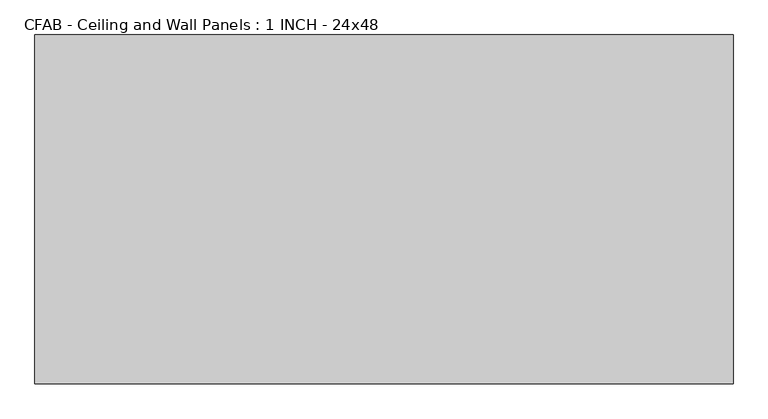
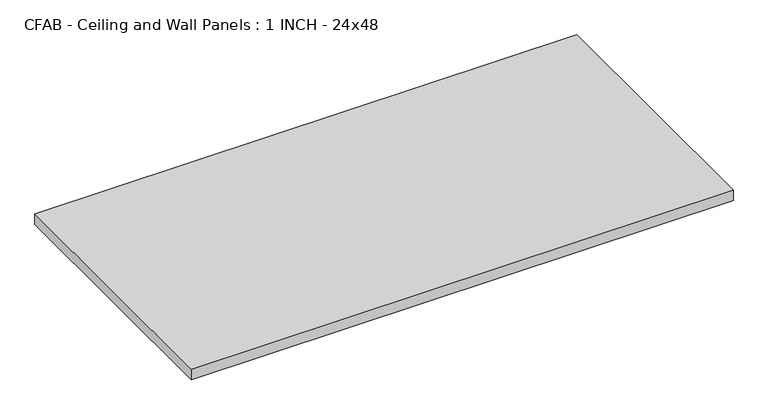
"""IFC4 building model written with IfcOpenShell, lengths in millimetres: proxy geometry, CFAB - Ceiling and Wall Panels : 1 INCH - 24x48."""

from ifc_helpers import new_model, si_unit, origin, origin_with_axes, place, context, project, spatial, polyline, outline, extrude, source, transform, mapped, element, save


def cfab_ceiling_and_wall_panels_1_inch_24x48_82ed4230(model_context):
    return source(origin(), model_context, "Body", "SweptSolid", [
        extrude(outline(polyline([(-609.6, 304.8), (609.6, 304.8), (609.6, -304.8), (-609.6, -304.8), (-609.6, 304.8)])), origin_with_axes(), (0.0, 0.0, 1.0), 25.4),
    ])


if __name__ == "__main__":
    model = new_model("IFC4")
    model_context = context("Model", 3, world=origin())
    ifc_project = project(units=[si_unit("LENGTHUNIT", "METRE", prefix="MILLI")], contexts=[model_context])
    site = spatial("IfcSite", under=ifc_project)
    building = spatial("IfcBuilding", under=site)
    placement = place(None, origin())
    cfab_ceiling_and_wall_panels_1_inch_24x48_shape = cfab_ceiling_and_wall_panels_1_inch_24x48_82ed4230(model_context)
    element("IfcBuildingElementProxy", 1, Name="CFAB - Ceiling and Wall Panels : 1 INCH - 24x48", ObjectType="CFAB - Ceiling and Wall Panels : 1 INCH - 24x48", at=placement, inside=building, context=model_context, shape_type="MappedRepresentation", body=[
        mapped(cfab_ceiling_and_wall_panels_1_inch_24x48_shape, transform((0.0, 0.0, 0.0), x_axis=(1.0, 0.0, 0.0), y_axis=(0.0, 1.0, 0.0), z_axis=(0.0, 0.0, 1.0))),
    ])
    save(model, "model.ifc")
